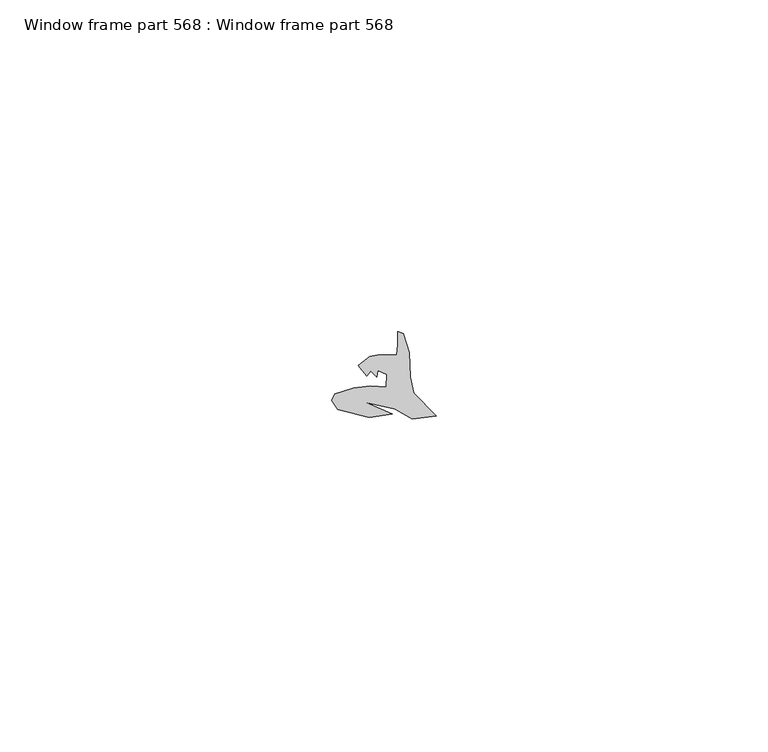
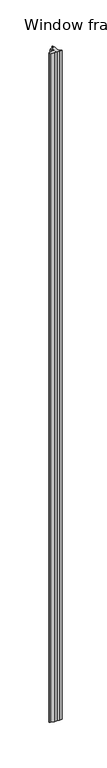
"""IFC4 building model written with IfcOpenShell, lengths in millimetres: proxy geometry, Window frame part 568 : Window frame part 568."""

from ifc_helpers import new_model, si_unit, frame, origin, place, context, project, spatial, polyline, outline, extrude, source, transform, mapped, element, save


def window_frame_part_568_window_frame_part_568_894998c0(model_context):
    return source(origin(), model_context, "Body", "SweptSolid", [
        extrude(outline(polyline([(32764.1192458, -15401.6901668), (32764.1074356, -15399.7696161), (32764.8861117, -15400.0519877), (32765.8177417, -15402.9482811), (32765.9415089, -15406.6088169), (32766.5003571, -15409.0116957), (32769.8713826, -15412.4455284), (32766.2719304, -15412.9446167), (32763.6690029, -15411.4638266), (32759.2893299, -15410.4380183), (32763.2525794, -15412.2049456), (32759.7710392, -15412.7281397), (32755.0187101, -15411.4915073), (32754.1638923, -15410.159189), (32754.6048088, -15409.1875196), (32757.4857639, -15408.2733841), (32759.9285039, -15407.9994101), (32762.3580086, -15408.0803116), (32762.4200116, -15406.2183359), (32761.0774341, -15405.6160236), (32760.9197922, -15406.603033), (32760.021534, -15405.7047749), (32759.4379194, -15406.4907703), (32758.153793, -15404.8779721), (32759.8461857, -15403.5304717), (32761.0918154, -15403.324126), (32763.9439865, -15403.2332337), (32764.1192458, -15401.6901668)])), frame((0.0, 0.0, 1597.975708), z_axis=(0.0, 0.0, 1.0), x_axis=(1.0, 0.0, 0.0)), (0.0, 0.0, 1.0), 914.4),
    ])


if __name__ == "__main__":
    model = new_model("IFC4")
    model_context = context("Model", 3, world=origin())
    ifc_project = project(units=[si_unit("LENGTHUNIT", "METRE", prefix="MILLI")], contexts=[model_context])
    site = spatial("IfcSite", under=ifc_project)
    building = spatial("IfcBuilding", under=site)
    placement = place(None, origin())
    window_frame_part_568_window_frame_part_568_shape = window_frame_part_568_window_frame_part_568_894998c0(model_context)
    element("IfcBuildingElementProxy", 1, Name="Window frame part 568 : Window frame part 568", ObjectType="Window frame part 568 : Window frame part 568", at=placement, inside=building, context=model_context, shape_type="MappedRepresentation", body=[
        mapped(window_frame_part_568_window_frame_part_568_shape, transform((0.0, 0.0, 0.0), x_axis=(1.0, 0.0, 0.0), y_axis=(0.0, 1.0, 0.0), z_axis=(0.0, 0.0, 1.0))),
    ])
    save(model, "model.ifc")
